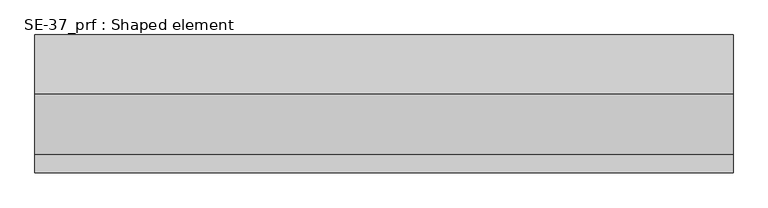
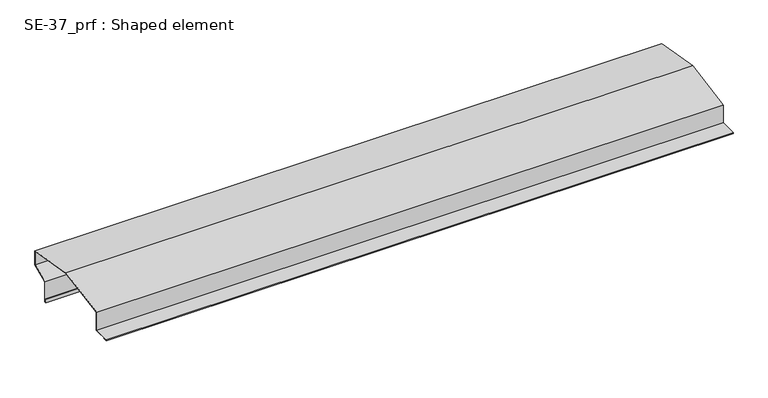
"""IFC4 building model written with IfcOpenShell, lengths in millimetres: proxy geometry, SE-37_prf : Shaped element."""

from ifc_helpers import new_model, si_unit, origin, place, context, project, spatial, faceted_brep, source, transform, mapped, element, save


def se_37_prf_shaped_element_a0b7d813(model_context):
    return source(origin(), model_context, "Body", "Brep", [
        faceted_brep([(0.0, 2.0, -54.0), (0.0, 7.0, -54.0), (1500.0, 7.0, -54.0), (1500.0, 2.0, -54.0), (0.0, 2.0, -44.0), (1500.0, 2.0, -44.0), (0.0, 3.0, -44.0), (1500.0, 3.0, -44.0), (0.0, 3.0, -53.0), (1500.0, 3.0, -53.0), (0.0, 6.0, -53.0), (1500.0, 6.0, -53.0), (0.0, 6.0, -3.3629297), (1500.0, 6.0, -3.3629297), (0.0, 13.2118261, 0.0), (1500.0, 13.2118261, 0.0), (1500.0, 46.7838504, 15.654892), (0.0, 46.7838504, 15.654892), (0.0, 46.7838504, 49.1787221), (1500.0, 46.7838504, 49.1787221), (0.0, -80.2411575, 71.5766583), (1500.0, -80.2411575, 71.5766583), (0.0, -207.2661654, 49.1787221), (1500.0, -207.2661654, 49.1787221), (0.0, -207.2661654, 4.0178218), (1500.0, -207.2661654, 4.0178218), (0.0, -247.2661654, 4.0178218), (1500.0, -247.2661654, 4.0178218), (0.0, -247.2661654, 3.0178218), (1500.0, -247.2661654, 3.0178218), (0.0, -238.2661654, 3.0178218), (1500.0, -238.2661654, 3.0178218), (0.0, -238.2661654, 2.0178218), (1500.0, -238.2661654, 2.0178218), (0.0, -248.2661654, 2.0178218), (1500.0, -248.2661654, 2.0178218), (0.0, -248.2661654, 5.0178218), (1500.0, -248.2661654, 5.0178218), (0.0, -208.2661654, 5.0178218), (1500.0, -208.2661654, 5.0178218), (0.0, -208.2661654, 50.0178218), (1500.0, -208.2661654, 50.0178218), (0.0, -80.2411575, 72.5920849), (1500.0, -80.2411575, 72.5920849), (0.0, 47.7838504, 50.0178218), (1500.0, 47.7838504, 50.0178218), (0.0, 47.7838504, 15.0178218), (1500.0, 47.7838504, 15.0178218), (0.0, 7.0, -4.0), (0.0, 15.5780277, 0.0), (1500.0, 15.5780277, 0.0), (1500.0, 7.0, -4.0)], [[[0, 1, 2, 3]], [[4, 0, 3, 5]], [[6, 4, 5, 7]], [[8, 6, 7, 9]], [[10, 8, 9, 11]], [[12, 10, 11, 13]], [[14, 12, 13, 15, 16, 17]], [[18, 17, 16, 19]], [[20, 18, 19, 21]], [[22, 20, 21, 23]], [[24, 22, 23, 25]], [[26, 24, 25, 27]], [[28, 26, 27, 29]], [[30, 28, 29, 31]], [[32, 30, 31, 33]], [[34, 32, 33, 35]], [[36, 34, 35, 37]], [[38, 36, 37, 39]], [[40, 38, 39, 41]], [[42, 40, 41, 43]], [[44, 42, 43, 45]], [[46, 44, 45, 47]], [[48, 49, 46, 47, 50, 51]], [[1, 48, 51, 2]], [[14, 49, 48, 1, 0, 4, 6, 8, 10, 12]], [[49, 14, 17, 18, 20, 22, 24, 26, 28, 30, 32, 34, 36, 38, 40, 42, 44, 46]], [[50, 15, 13, 11, 9, 7, 5, 3, 2, 51]], [[15, 50, 47, 45, 43, 41, 39, 37, 35, 33, 31, 29, 27, 25, 23, 21, 19, 16]]]),
    ])


if __name__ == "__main__":
    model = new_model("IFC4")
    model_context = context("Model", 3, world=origin())
    ifc_project = project(units=[si_unit("LENGTHUNIT", "METRE", prefix="MILLI")], contexts=[model_context])
    site = spatial("IfcSite", under=ifc_project)
    building = spatial("IfcBuilding", under=site)
    placement = place(None, origin())
    se_37_prf_shaped_element_shape = se_37_prf_shaped_element_a0b7d813(model_context)
    element("IfcBuildingElementProxy", 1, Name="SE-37_prf : Shaped element", ObjectType="SE-37_prf : Shaped element", at=placement, inside=building, context=model_context, shape_type="MappedRepresentation", body=[
        mapped(se_37_prf_shaped_element_shape, transform((0.0, 0.0, 0.0), x_axis=(1.0, 0.0, 0.0), y_axis=(0.0, 1.0, 0.0), z_axis=(0.0, 0.0, 1.0))),
    ])
    save(model, "model.ifc")
